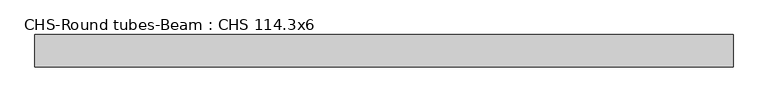
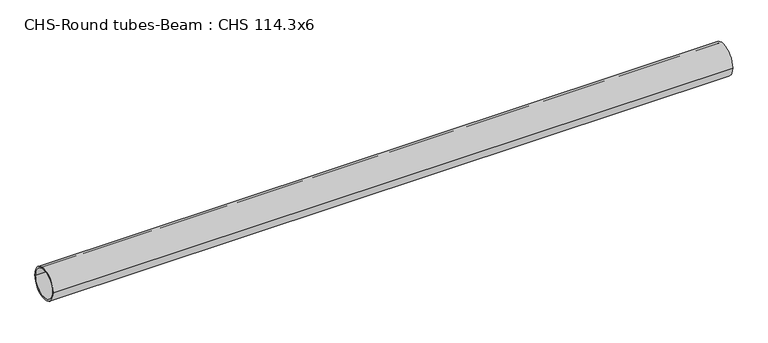
"""IFC4 building model written with IfcOpenShell, lengths in millimetres: beam geometry, CHS-Round tubes-Beam : CHS 114.3x6."""

from ifc_helpers import new_model, si_unit, point, frame, origin, origin_2d, place, context, project, spatial, circle_curve, trimmed, segment, composite_curve, outline, extrude, source, transform, mapped, element, save


def chs_round_tubes_beam_chs_114_3x6_8beef1b2(model_context):
    return source(origin(), model_context, "Body", "SweptSolid", [
        extrude(outline(composite_curve([segment(trimmed(circle_curve(origin_2d(), 57.15), [point((57.15, 0.0))], [point((-57.15, 0.0))], False, "CARTESIAN"), True, "CONTINUOUS"), segment(trimmed(circle_curve(origin_2d(), 57.15), [point((-57.15, 0.0))], [point((57.15, 0.0))], False, "CARTESIAN"), True, "CONTINUOUS")], self_intersect=False), holes=[composite_curve([segment(trimmed(circle_curve(origin_2d(), 51.15), [point((51.15, 0.0))], [point((-51.15, 0.0))], True, "CARTESIAN"), True, "CONTINUOUS"), segment(trimmed(circle_curve(origin_2d(), 51.15), [point((-51.15, 0.0))], [point((51.15, 0.0))], True, "CARTESIAN"), True, "CONTINUOUS")], self_intersect=False)]), frame((-1177.1798456, 0.0, 0.0), z_axis=(1.0, 0.0, 0.0), x_axis=(0.0, 1.0, 0.0)), (0.0, 0.0, 1.0), 2456.3237301),
    ])


if __name__ == "__main__":
    model = new_model("IFC4")
    model_context = context("Model", 3, world=origin())
    ifc_project = project(units=[si_unit("LENGTHUNIT", "METRE", prefix="MILLI")], contexts=[model_context])
    site = spatial("IfcSite", under=ifc_project)
    building = spatial("IfcBuilding", under=site)
    placement = place(None, origin())
    chs_round_tubes_beam_chs_114_3x6_shape = chs_round_tubes_beam_chs_114_3x6_8beef1b2(model_context)
    element("IfcBeam", 1, ObjectType="CHS-Round tubes-Beam : CHS 114.3x6", at=placement, inside=building, context=model_context, shape_type="MappedRepresentation", body=[
        mapped(chs_round_tubes_beam_chs_114_3x6_shape, transform((0.0, 0.0, 0.0), x_axis=(1.0, 0.0, 0.0), y_axis=(0.0, 1.0, 0.0), z_axis=(0.0, 0.0, 1.0))),
    ])
    save(model, "model.ifc")
